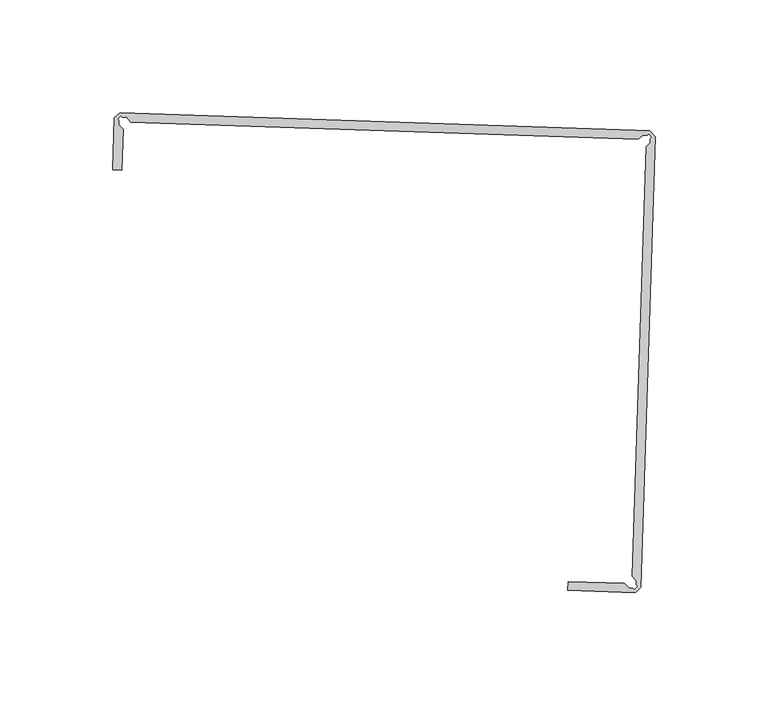
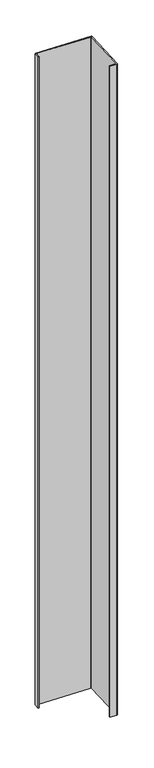
"""IFC4 building model written with IfcOpenShell, lengths in millimetres: proxy geometry."""

from ifc_helpers import new_model, si_unit, frame, origin, place, context, project, spatial, polyline, outline, extrude, source, transform, mapped, element, save


def generic_models_7d42e52a(model_context):
    return source(origin(), model_context, "Body", "SweptSolid", [
        extrude(outline(polyline([(18036.5818363, -14642.2942906), (18039.0444127, -14639.9946844), (18274.0584716, -14648.0245459), (18276.5215943, -14650.6523966), (18270.047256, -14850.6170907), (18267.5889201, -14852.9212297), (18237.6677885, -14851.9524614), (18237.7962857, -14847.9837322), (18262.7892881, -14848.7929407), (18264.6893627, -14850.8201714), (18266.5931669, -14850.8818115), (18267.2052048, -14851.5348078), (18268.6885592, -14850.1444954), (18268.0765213, -14849.4914991), (18268.1381617, -14847.5876948), (18266.2380869, -14845.5604641), (18272.4045788, -14655.1038277), (18274.2517797, -14653.3730128), (18274.3141534, -14651.4686467), (18274.9675896, -14650.8574425), (18273.5768711, -14649.3739427), (18272.9233699, -14649.9861213), (18271.0190038, -14649.9237475), (18268.9916314, -14651.8242955), (18043.8364311, -14644.1318092), (18041.9400945, -14642.1010812), (18040.0364069, -14642.0359338), (18039.4255733, -14641.3818109), (18037.9396601, -14642.7693882), (18038.5504937, -14643.4235111), (18038.485346, -14645.3271985), (18040.3816826, -14647.3579262), (18039.762631, -14665.4473162), (18035.7941452, -14665.3115075), (18036.5818363, -14642.2942906)])), frame((0.0, 0.0, 73.975708), z_axis=(0.0, 0.0, 1.0), x_axis=(1.0, 0.0, 0.0)), (0.0, 0.0, 1.0), 2959.11),
    ])


if __name__ == "__main__":
    model = new_model("IFC4")
    model_context = context("Model", 3, world=origin())
    ifc_project = project(units=[si_unit("LENGTHUNIT", "METRE", prefix="MILLI")], contexts=[model_context])
    site = spatial("IfcSite", under=ifc_project)
    building = spatial("IfcBuilding", under=site)
    placement = place(None, origin())
    generic_models_shape = generic_models_7d42e52a(model_context)
    element("IfcBuildingElementProxy", 1, Name="Generic Models", at=placement, inside=building, context=model_context, shape_type="MappedRepresentation", body=[
        mapped(generic_models_shape, transform((0.0, 0.0, 0.0), x_axis=(1.0, 0.0, 0.0), y_axis=(0.0, 1.0, 0.0), z_axis=(0.0, 0.0, 1.0))),
    ])
    save(model, "model.ifc")
